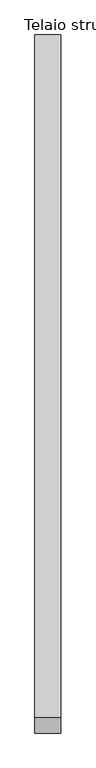
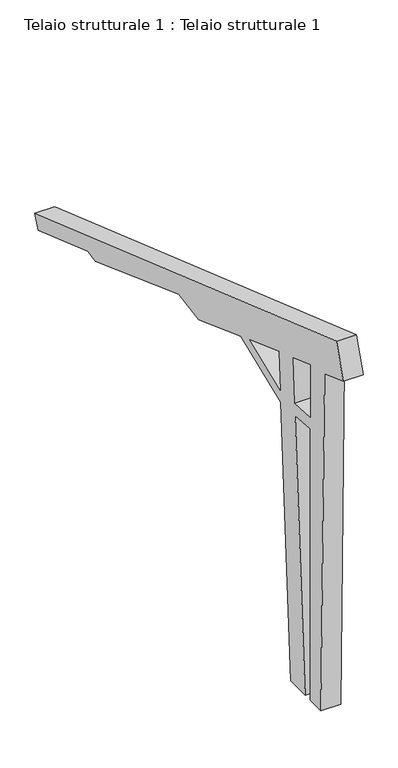
"""IFC4 building model written with IfcOpenShell, lengths in millimetres: beam geometry, Telaio strutturale 1 : Telaio strutturale 1."""

from ifc_helpers import new_model, si_unit, frame, origin, place, context, project, spatial, polyline, outline, extrude, source, transform, mapped, element, save


def telaio_strutturale_1_telaio_strutturale_1_1d6cd977(model_context):
    return source(origin(), model_context, "Body", "SweptSolid", [
        extrude(outline(polyline([(3204.7888193, -2483.1519834), (3164.8222373, -193.4680313), (2959.630484, -118.7843408), (3032.682533, 106.046748), (6354.3405756, -1047.3012971), (6319.8714438, -1142.0044586), (5773.5440986, -952.3083588), (5690.1490688, -967.0131526), (4769.2503004, -631.8334121), (4552.5925948, -670.0360112), (4087.9275793, -500.9117767), (3649.3514069, -678.1080523), (3540.1951016, -2483.1519834), (3380.1951016, -2483.1519834), (3489.7852715, -670.9335267), (3324.7888193, -660.9557068), (3324.7888193, -2483.1519834), (3204.7888193, -2483.1519834)]), holes=[polyline([(3512.4314906, -296.4483305), (3324.7888193, -228.1519834), (3324.7888193, -580.8095613), (3494.6142846, -591.0794057), (3512.4314906, -296.4483305)]), polyline([(3989.6231782, -465.1319008), (3669.2815312, -348.5370765), (3654.0313004, -600.7198206), (3989.6231782, -465.1319008)])]), frame((-33367.7634074, 0.0, 0.0), z_axis=(1.0, 0.0, 0.0), x_axis=(0.0, 1.0, 0.0)), (0.0, 0.0, 1.0), 126.0790319),
    ])


if __name__ == "__main__":
    model = new_model("IFC4")
    model_context = context("Model", 3, world=origin())
    ifc_project = project(units=[si_unit("LENGTHUNIT", "METRE", prefix="MILLI")], contexts=[model_context])
    site = spatial("IfcSite", under=ifc_project)
    building = spatial("IfcBuilding", under=site)
    placement = place(None, origin())
    telaio_strutturale_1_telaio_strutturale_1_shape = telaio_strutturale_1_telaio_strutturale_1_1d6cd977(model_context)
    element("IfcBeam", 1, ObjectType="Telaio strutturale 1 : Telaio strutturale 1", at=placement, inside=building, context=model_context, shape_type="MappedRepresentation", body=[
        mapped(telaio_strutturale_1_telaio_strutturale_1_shape, transform((0.0, 0.0, 0.0), x_axis=(1.0, 0.0, 0.0), y_axis=(0.0, 1.0, 0.0), z_axis=(0.0, 0.0, 1.0))),
    ])
    save(model, "model.ifc")
